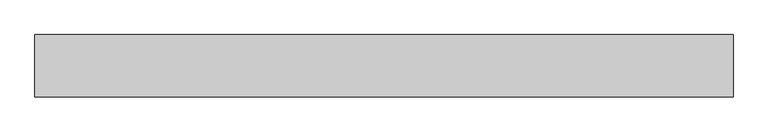
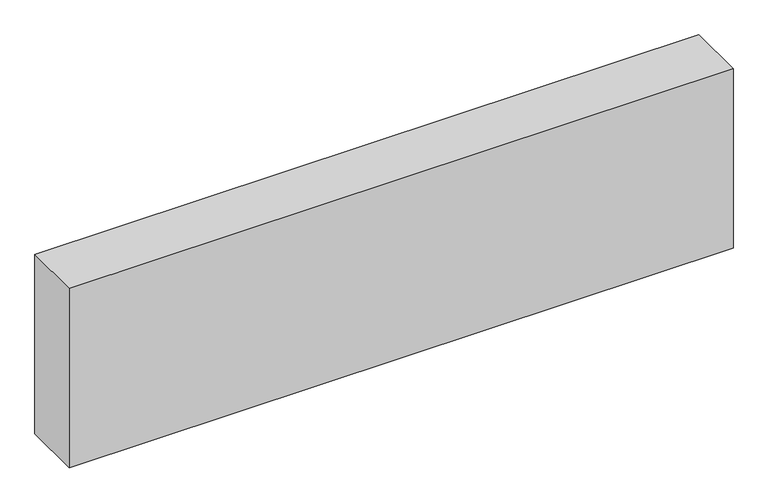
"""IFC4 building model written with IfcOpenShell, lengths in millimetres: geographic element geometry."""

from ifc_helpers import new_model, si_unit, origin, origin_with_axes, place, context, project, spatial, polyline, outline, extrude, source, transform, mapped, element, save


def geographic_element_83e2847b(model_context):
    return source(origin(), model_context, "Body", "SweptSolid", [
        extrude(outline(polyline([(1400.0, 125.0), (1400.0, -125.0), (-1400.0, -125.0), (-1400.0, 125.0), (1400.0, 125.0)])), origin_with_axes(), (0.0, 0.0, 1.0), 800.0),
    ])


if __name__ == "__main__":
    model = new_model("IFC4")
    model_context = context("Model", 3, world=origin())
    ifc_project = project(units=[si_unit("LENGTHUNIT", "METRE", prefix="MILLI")], contexts=[model_context])
    site = spatial("IfcSite", under=ifc_project)
    building = spatial("IfcBuilding", under=site)
    placement = place(None, origin())
    geographic_element_shape = geographic_element_83e2847b(model_context)
    element("IfcGeographicElement", 1, at=placement, inside=building, context=model_context, shape_type="MappedRepresentation", body=[
        mapped(geographic_element_shape, transform((0.0, 0.0, 0.0), x_axis=(1.0, 0.0, 0.0), y_axis=(0.0, 1.0, 0.0), z_axis=(0.0, 0.0, 1.0))),
    ])
    save(model, "model.ifc")
